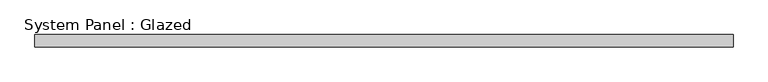
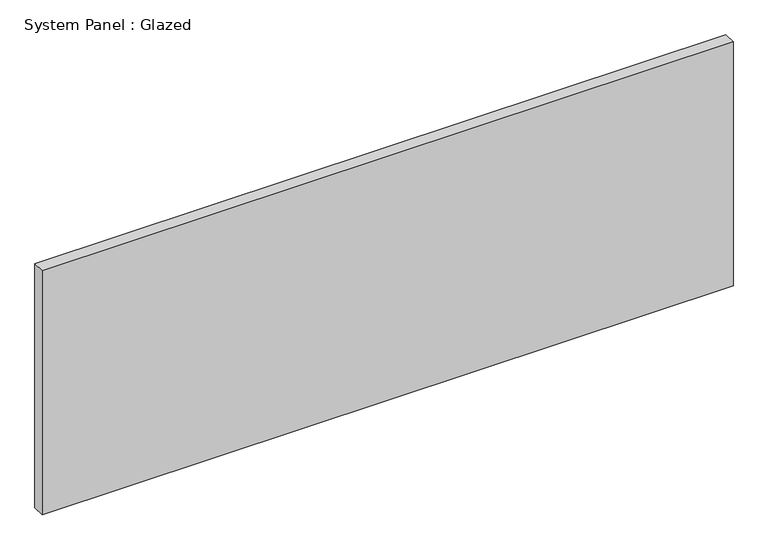
"""IFC4 building model written with IfcOpenShell, lengths in millimetres: plate geometry, System Panel : Glazed."""

from ifc_helpers import new_model, si_unit, origin, origin_with_axes, place, context, project, spatial, polyline, outline, extrude, source, transform, mapped, element, save


def system_panel_glazed_8acef2dd(model_context):
    return source(origin(), model_context, "Body", "SweptSolid", [
        extrude(outline(polyline([(703.3667995, 24.5), (-703.3667995, 24.5), (-703.3667995, 49.5), (703.3667995, 49.5), (703.3667995, 24.5)])), origin_with_axes(), (0.0, 0.0, 1.0), 525.0),
    ])


if __name__ == "__main__":
    model = new_model("IFC4")
    model_context = context("Model", 3, world=origin())
    ifc_project = project(units=[si_unit("LENGTHUNIT", "METRE", prefix="MILLI")], contexts=[model_context])
    site = spatial("IfcSite", under=ifc_project)
    building = spatial("IfcBuilding", under=site)
    placement = place(None, origin())
    system_panel_glazed_shape = system_panel_glazed_8acef2dd(model_context)
    element("IfcPlate", 1, ObjectType="System Panel : Glazed", at=placement, inside=building, context=model_context, shape_type="MappedRepresentation", body=[
        mapped(system_panel_glazed_shape, transform((0.0, 0.0, 0.0), x_axis=(1.0, 0.0, 0.0), y_axis=(0.0, 1.0, 0.0), z_axis=(0.0, 0.0, 1.0))),
    ])
    save(model, "model.ifc")
